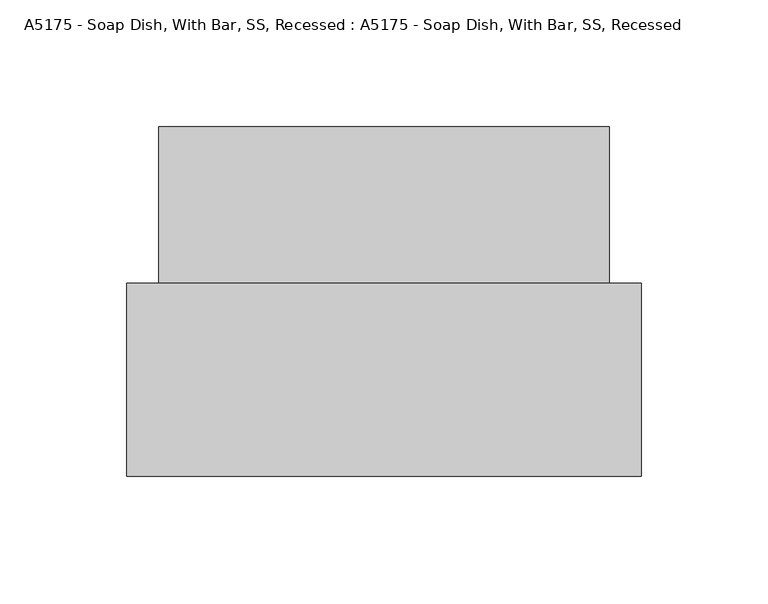
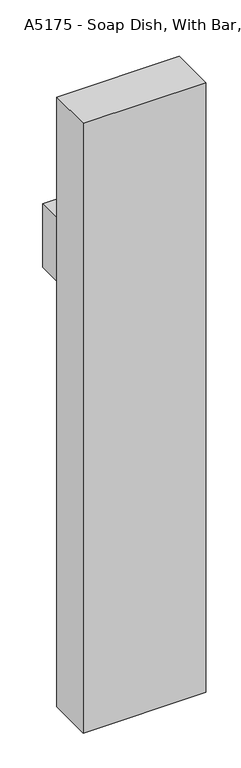
"""IFC4 building model written with IfcOpenShell, lengths in millimetres: proxy geometry, A5175 - Soap Dish, With Bar, SS, Recessed : A5175 - Soap Dish, With Bar, SS, Recessed."""

import ifcopenshell
import ifcopenshell.guid

model = None  # the IFC model being written
_history = None  # IfcOwnerHistory: only IFC2X3 demands one
_inside = {}  # id of a spatial element -> (the spatial element, [elements in it])
_under = {}  # id of a project, library or spatial element -> (it, [spatial elements below it])
_declared = {}  # id of a project -> (the project, [libraries it declares])
_typed = {}  # id of a type object -> (the type object, [elements of that type])
_made_of = {}  # id of a material, layer set ... -> (it, [elements and type objects made of it])


def new_model(schema):
    """Start an empty IFC model of exactly this schema.

    Asked for "IFC4X3", IfcOpenShell would pick the latest addendum, in which some entities
    have other attributes; the version numbers below select the first issue.
    IFC2X3 requires an IfcOwnerHistory on every rooted entity: one is made here for all.
    """
    global model, _history
    if schema == "IFC4X3":
        model = ifcopenshell.file(schema_version=(4, 3, 0, 0))
    else:
        model = ifcopenshell.file(schema=schema)
    _inside.clear()
    _under.clear()
    _declared.clear()
    _typed.clear()
    _made_of.clear()
    _history = None
    if model.schema == "IFC2X3":
        org = make("IfcOrganization", Name="unknown")
        user = make(
            "IfcPersonAndOrganization",
            ThePerson=make("IfcPerson", FamilyName="unknown"),
            TheOrganization=org,
        )
        app = make(
            "IfcApplication",
            ApplicationDeveloper=org,
            Version="unknown",
            ApplicationFullName="unknown",
            ApplicationIdentifier="unknown",
        )
        _history = make(
            "IfcOwnerHistory",
            OwningUser=user,
            OwningApplication=app,
            ChangeAction="ADDED",
            CreationDate=0,
        )
    return model


def make(cls, **values):
    """One entity of the class cls with the attributes given. An attribute that is None is left unset."""
    return model.create_entity(
        cls, **{name: value for name, value in values.items() if value is not None}
    )


def rooted(cls, **values):
    """An entity with a GlobalId (a new one), such as an element, a storey or a relation."""
    return make(cls, GlobalId=ifcopenshell.guid.new(), OwnerHistory=_history, **values)


def si_unit(unit_type, name, prefix=None):
    """IfcSIUnit, for example si_unit("LENGTHUNIT", "METRE", prefix="MILLI")."""
    return make("IfcSIUnit", UnitType=unit_type, Prefix=prefix, Name=name)


def assignment(units):
    """IfcUnitAssignment: the units of a project."""
    return None if units is None else make("IfcUnitAssignment", Units=units)


def point(xyz):
    """IfcCartesianPoint."""
    return None if xyz is None else make("IfcCartesianPoint", Coordinates=xyz)


def direction(xyz):
    """IfcDirection."""
    return None if xyz is None else make("IfcDirection", DirectionRatios=xyz)


def frame(location, z_axis=None, x_axis=None):
    """IfcAxis2Placement3D, a coordinate frame: its origin and axes. An axis left out is left unset."""
    return make(
        "IfcAxis2Placement3D",
        Location=point(location),
        Axis=direction(z_axis),
        RefDirection=direction(x_axis),
    )


def origin():
    """The frame at (0, 0, 0) with its axes left unset."""
    return frame((0.0, 0.0, 0.0))


def place(relative_to, where):
    """IfcLocalPlacement: puts the frame where relative to a parent placement (None: the world)."""
    return make(
        "IfcLocalPlacement", PlacementRelTo=relative_to, RelativePlacement=where
    )


def context(
    kind, dimensions, precision=None, world=None, true_north=None, identifier=None
):
    """IfcGeometricRepresentationContext, for example the 3D "Model" context."""
    return make(
        "IfcGeometricRepresentationContext",
        ContextIdentifier=identifier,
        ContextType=kind,
        CoordinateSpaceDimension=dimensions,
        Precision=precision,
        WorldCoordinateSystem=world,
        TrueNorth=true_north,
    )


def project(units=None, contexts=None):
    """IfcProject with its units and contexts."""
    return rooted(
        "IfcProject",
        Name="project",
        RepresentationContexts=contexts,
        UnitsInContext=assignment(units),
    )


def spatial(cls, under=None, at=None, **own):
    """A site, building, storey or space (cls), placed at a placement, below another one or the project."""
    s = rooted(cls, ObjectPlacement=at, **own)
    if under is not None:
        _under.setdefault(under.id(), (under, []))[1].append(s)
    return s


def circle_curve(where, radius):
    """IfcCircle in the frame where."""
    return make("IfcCircle", Position=where, Radius=radius)


def ellipse_curve(where, semi_axis1, semi_axis2):
    """IfcEllipse in the frame where."""
    return make(
        "IfcEllipse", Position=where, SemiAxis1=semi_axis1, SemiAxis2=semi_axis2
    )


def faces_of(points, faces, orient=None, outer=None):
    """IfcFace entities. A face is a list of loops; a loop is a list of indices into points, from 0.

    orient and outer hold one flag for each loop. By default every Orientation is true, the
    first loop of a face is its IfcFaceOuterBound and the others are IfcFaceBound.
    """
    made = []
    for i, loops in enumerate(faces):
        bounds = []
        for j, loop in enumerate(loops):
            is_outer = j == 0 if outer is None else outer[i][j]
            bounds.append(
                make(
                    "IfcFaceOuterBound" if is_outer else "IfcFaceBound",
                    Bound=make("IfcPolyLoop", Polygon=[points[k] for k in loop]),
                    Orientation=True if orient is None else orient[i][j],
                )
            )
        made.append(make("IfcFace", Bounds=bounds))
    return made


def faceted_brep(points, faces, orient=None, outer=None, voids=None):
    """IfcFacetedBrep: a solid bounded by flat faces; with voids (closed shells), ...WithVoids."""
    shared = [point(p) for p in points]
    hull = make("IfcClosedShell", CfsFaces=faces_of(shared, faces, orient, outer))
    if voids is None:
        return make("IfcFacetedBrep", Outer=hull)
    return make(
        "IfcFacetedBrepWithVoids",
        Outer=hull,
        Voids=[
            make(cls, CfsFaces=faces_of(shared, fs, o, b)) for cls, fs, o, b in voids
        ],
    )


def shape(context_of_items, identifier, shape_type, items):
    """IfcShapeRepresentation: the items that make up one representation, for example the "Body"."""
    return make(
        "IfcShapeRepresentation",
        ContextOfItems=context_of_items,
        RepresentationIdentifier=identifier,
        RepresentationType=shape_type,
        Items=items,
    )


def source(mapping_origin, context_of_items, identifier, shape_type, items):
    """IfcRepresentationMap: a shape defined once, which mapped items show again and again."""
    return make(
        "IfcRepresentationMap",
        MappingOrigin=mapping_origin,
        MappedRepresentation=shape(context_of_items, identifier, shape_type, items),
    )


def transform(
    local_origin,
    x_axis=None,
    y_axis=None,
    z_axis=None,
    scale=None,
    scale2=None,
    scale3=None,
    uniform=True,
):
    """IfcCartesianTransformationOperator3D, or its non-uniform kind. x_axis, y_axis, z_axis: its Axis1, 2, 3."""
    if uniform:
        return make(
            "IfcCartesianTransformationOperator3D",
            Axis1=direction(x_axis),
            Axis2=direction(y_axis),
            LocalOrigin=point(local_origin),
            Scale=scale,
            Axis3=direction(z_axis),
        )
    return make(
        "IfcCartesianTransformationOperator3DnonUniform",
        Axis1=direction(x_axis),
        Axis2=direction(y_axis),
        LocalOrigin=point(local_origin),
        Scale=scale,
        Axis3=direction(z_axis),
        Scale2=scale2,
        Scale3=scale3,
    )


def mapped(mapping_source, mapping_target):
    """IfcMappedItem: shows the shape of a source again, moved by a transform."""
    return make(
        "IfcMappedItem", MappingSource=mapping_source, MappingTarget=mapping_target
    )


def made_of(thing, what):
    """Note that an element or type object is made of a material, layer set ...; save() writes the relation."""
    if what is not None:
        _made_of.setdefault(what.id(), (what, []))[1].append(thing)
    return thing


def element(
    cls,
    number,
    at=None,
    inside=None,
    cuts=None,
    type_object=None,
    material=None,
    context=None,
    identifier="Body",
    shape_type=None,
    held_by="IfcProductDefinitionShape",
    body=None,
    shapes=None,
    **own,
):
    """One element of the class cls, such as IfcWall. Its Tag is "e" and its number.

    at: its placement. inside: the storey or other place that contains it. cuts: it is an
    opening in that element (IfcRelVoidsElement). A single representation is given by context,
    identifier, shape_type and body (its items); several are given by shapes. held_by: the class
    of the entity that holds the representations. save() writes the other relations.
    """
    e = rooted(cls, Tag="e%d" % number, ObjectPlacement=at, **own)
    if body is not None:
        shapes = [shape(context, identifier, shape_type, body)]
    if shapes is not None:
        e.Representation = make(held_by, Representations=shapes)
    if inside is not None:
        _inside.setdefault(inside.id(), (inside, []))[1].append(e)
    if cuts is not None:
        rooted(
            "IfcRelVoidsElement", RelatingBuildingElement=cuts, RelatedOpeningElement=e
        )
    if type_object is not None:
        _typed.setdefault(type_object.id(), (type_object, []))[1].append(e)
    return made_of(e, material)


def aggregate(whole, parts):
    """IfcRelAggregates: a whole, such as a stair, and the parts it consists of."""
    return rooted("IfcRelAggregates", RelatingObject=whole, RelatedObjects=parts)


def save(model, path):
    """Write the relations noted so far, then the file.

    IfcRelAggregates (storeys below a building ...), IfcRelContainedInSpatialStructure (elements
    in a storey), IfcRelDefinesByType, IfcRelAssociatesMaterial and IfcRelDeclares: one each for
    every whole, place, type object, material and project.
    """
    for whole, parts in _under.values():
        aggregate(whole, parts)
    for where, things in _inside.values():
        rooted(
            "IfcRelContainedInSpatialStructure",
            RelatedElements=things,
            RelatingStructure=where,
        )
    for kind, things in _typed.values():
        rooted("IfcRelDefinesByType", RelatedObjects=things, RelatingType=kind)
    for what, things in _made_of.values():
        rooted("IfcRelAssociatesMaterial", RelatedObjects=things, RelatingMaterial=what)
    for by, libraries in _declared.values():
        rooted("IfcRelDeclares", RelatingContext=by, RelatedDefinitions=libraries)
    model.write(path)


def plane_surface(at):
    """IfcPlane: the flat surface through the origin of the frame at, square to its z axis."""
    return make("IfcPlane", Position=at)


def cylinder_surface(at, radius):
    """IfcCylindricalSurface: all points at the distance radius from the z axis of the frame at."""
    return make("IfcCylindricalSurface", Position=at, Radius=radius)


def advanced_brep(points, edges, surfaces, faces):
    """IfcAdvancedBrep: a solid bounded by faces that lie on surfaces and meet in shared edges.

    An edge is (start, end): straight between two places in points (the first is 0);
    or (start, end, curve); or (start, end, curve, False) where it runs against its curve.
    A face is (place in surfaces, loops), or (place, loops, False) where it looks against
    its surface's normal. A loop lists edges by number (the first is 1), with a minus sign
    where the edge is run from its end to its start. The first loop is the outer one.
    """
    corners = [point(p) for p in points]
    vertices = [make("IfcVertexPoint", VertexGeometry=c) for c in corners]
    made = []
    for start, end, *more in edges:
        made.append(
            make(
                "IfcEdgeCurve",
                EdgeStart=vertices[start],
                EdgeEnd=vertices[end],
                EdgeGeometry=more[0] if more else make("IfcPolyline", Points=[corners[start], corners[end]]),
                SameSense=more[1] if len(more) > 1 else True,
            )
        )
    hull = []
    for where, loops, *sense in faces:
        bounds = []
        for j, loop in enumerate(loops):
            ring = [make("IfcOrientedEdge", EdgeElement=made[abs(k) - 1], Orientation=k > 0) for k in loop]
            bounds.append(
                make(
                    "IfcFaceOuterBound" if j == 0 else "IfcFaceBound",
                    Bound=make("IfcEdgeLoop", EdgeList=ring),
                    Orientation=True,
                )
            )
        hull.append(make("IfcAdvancedFace", Bounds=bounds, FaceSurface=surfaces[where], SameSense=sense[0] if sense else True))
    return make("IfcAdvancedBrep", Outer=make("IfcClosedShell", CfsFaces=hull))


def a5175_soap_dish_with_bar_ss_recessed_a5175_soap_dish_with_60321abb(model_context):
    return source(origin(), model_context, "Body", "SolidModel", [
        advanced_brep(
        [(-73.0659295, -74.6125, 762.0315243), (-79.4157151, -74.6125, 762.0315243), (-79.4157151, -90.4873928, 762.0315243), (-73.0659295, -84.1376072, 762.0315243), (79.3340705, -90.4873928, 762.0315243), (72.9842849, -84.1376072, 762.0315243), (72.9842849, -74.6125, 762.0315243), (79.3340705, -74.6125, 762.0315243)],
        [
            (0, 1, circle_curve(frame((-76.2408223, -74.6125, 762.0315243), z_axis=(0.0, 1.0, 0.0), x_axis=(-1.0, 0.0, 0.0)), 3.1748928)),
            (1, 0, circle_curve(frame((-76.2408223, -74.6125, 762.0315243), z_axis=(0.0, 1.0, 0.0), x_axis=(-1.0, 0.0, 0.0)), 3.1748928)),
            (1, 2),
            (2, 3, ellipse_curve(frame((-76.2408223, -87.3125, 762.0315243), z_axis=(-0.7071067811865475, 0.7071067811865475, 0.0), x_axis=(0.7071067811865474, 0.7071067811865476, 0.0)), 4.4899765, 3.1748928)),
            (3, 0),
            (3, 2, ellipse_curve(frame((-76.2408223, -87.3125, 762.0315243), z_axis=(-0.7071067811865475, 0.7071067811865475, 0.0), x_axis=(0.7071067811865474, 0.7071067811865476, 0.0)), 4.4899765, 3.1748928)),
            (2, 4),
            (4, 5, ellipse_curve(frame((76.1591777, -87.3125, 762.0315243), z_axis=(-0.7071067811865475, -0.7071067811865475, 0.0), x_axis=(-0.7071067811865476, 0.7071067811865474, 0.0)), 4.4899765, 3.1748928)),
            (5, 3),
            (5, 4, ellipse_curve(frame((76.1591777, -87.3125, 762.0315243), z_axis=(-0.7071067811865475, -0.7071067811865475, 0.0), x_axis=(-0.7071067811865476, 0.7071067811865474, 0.0)), 4.4899765, 3.1748928)),
            (6, 7, circle_curve(frame((76.1591777, -74.6125, 762.0315243), z_axis=(0.0, 1.0, 0.0), x_axis=(1.0, 0.0, 0.0)), 3.1748928)),
            (7, 6, circle_curve(frame((76.1591777, -74.6125, 762.0315243), z_axis=(0.0, 1.0, 0.0), x_axis=(1.0, 0.0, 0.0)), 3.1748928)),
            (4, 7),
            (6, 5),
        ],
        [
            plane_surface(frame((-76.2408223, -74.6125, 762.0315243), z_axis=(0.0, 1.0, 0.0), x_axis=(0.0, 0.0, 1.0))),
            cylinder_surface(frame((-76.2408223, -74.6125, 762.0315243), z_axis=(0.0, 1.0, 0.0), x_axis=(-1.0, 0.0, 0.0)), 3.1748928),
            cylinder_surface(frame((-76.2408223, -87.3125, 762.0315243), z_axis=(-1.0, 0.0, 0.0), x_axis=(0.0, -1.0, 0.0)), 3.1748928),
            plane_surface(frame((76.1591777, -74.6125, 762.0315243), z_axis=(0.0, 1.0, 0.0), x_axis=(0.0, 0.0, 1.0))),
            cylinder_surface(frame((76.1591777, -87.3125, 762.0315243), z_axis=(0.0, -1.0, 0.0), x_axis=(1.0, 0.0, 0.0)), 3.1748928),
        ],
        [
            (0, [[1, 2]]),
            (1, [[3, 4, 5, -2]]),
            (1, [[-5, 6, -3, -1]]),
            (2, [[7, 8, 9, -4]]),
            (2, [[-9, 10, -7, -6]]),
            (3, [[11, 12]]),
            (4, [[13, -11, 14, -8]]),
            (4, [[-14, -12, -13, -10]]),
        ],
    ),
        faceted_brep([(-69.85, -13.796456, 817.5393161), (-69.85, -88.9, 817.5393161), (-69.85, -88.9, 741.3393161), (-69.85, -13.796456, 741.3393161), (69.85, -13.796456, 817.5393161), (69.85, -88.9, 817.5393161), (69.85, -13.796456, 741.3393161), (69.85, -88.9, 741.3393161), (-88.9, -88.9, 726.6299448), (88.9, -88.9, 726.6299448), (88.9, -88.9, 838.2), (-88.9, -88.9, 838.2), (-88.9, 0.0, 726.6299448), (-88.9, 0.0, 838.2), (88.9, 0.0, 838.2), (88.9, 0.0, 726.6299448)], [[[0, 1, 2, 3]], [[4, 5, 1, 0]], [[6, 7, 5, 4]], [[3, 2, 7, 6]], [[8, 9, 10, 11], [1, 5, 7, 2]], [[12, 13, 14, 15]], [[11, 13, 12, 8]], [[10, 14, 13, 11]], [[9, 15, 14, 10]], [[8, 12, 15, 9]], [[3, 6, 4, 0]]]),
        faceted_brep([(101.6, -138.1125, 1066.8), (101.6, -61.9125, 1066.8), (-101.6, -61.9125, 1066.8), (-101.6, -138.1125, 1066.8), (101.6, -138.1125, 0.0), (-101.6, -138.1125, 0.0), (-101.6, -61.9125, 0.0), (101.6, -61.9125, 0.0), (-69.85, -61.9125, 741.3393161), (69.85, -61.9125, 741.3393161), (69.85, -61.9125, 817.5393161), (-69.85, -61.9125, 817.5393161), (-69.85, -88.9, 741.3393161), (-69.85, -88.9, 817.5393161), (69.85, -88.9, 817.5393161), (69.85, -88.9, 741.3393161)], [[[0, 1, 2, 3]], [[4, 5, 6, 7]], [[3, 5, 4, 0]], [[2, 6, 5, 3]], [[1, 7, 6, 2], [8, 9, 10, 11]], [[0, 4, 7, 1]], [[12, 13, 14, 15]], [[12, 8, 11, 13]], [[13, 11, 10, 14]], [[14, 10, 9, 15]], [[15, 9, 8, 12]]]),
    ])


if __name__ == "__main__":
    model = new_model("IFC4")
    model_context = context("Model", 3, world=origin())
    ifc_project = project(units=[si_unit("LENGTHUNIT", "METRE", prefix="MILLI")], contexts=[model_context])
    site = spatial("IfcSite", under=ifc_project)
    building = spatial("IfcBuilding", under=site)
    placement = place(None, origin())
    a5175_soap_dish_with_bar_ss_recessed_a5175_soap_dish_with_shape = a5175_soap_dish_with_bar_ss_recessed_a5175_soap_dish_with_60321abb(model_context)
    element("IfcBuildingElementProxy", 1, Name="A5175 - Soap Dish, With Bar, SS, Recessed : A5175 - Soap Dish, With Bar, SS, Recessed", ObjectType="A5175 - Soap Dish, With Bar, SS, Recessed : A5175 - Soap Dish, With Bar, SS, Recessed", at=placement, inside=building, context=model_context, shape_type="MappedRepresentation", body=[
        mapped(a5175_soap_dish_with_bar_ss_recessed_a5175_soap_dish_with_shape, transform((0.0, 0.0, 0.0), x_axis=(1.0, 0.0, 0.0), y_axis=(0.0, 1.0, 0.0), z_axis=(0.0, 0.0, 1.0))),
    ])
    save(model, "model.ifc")
